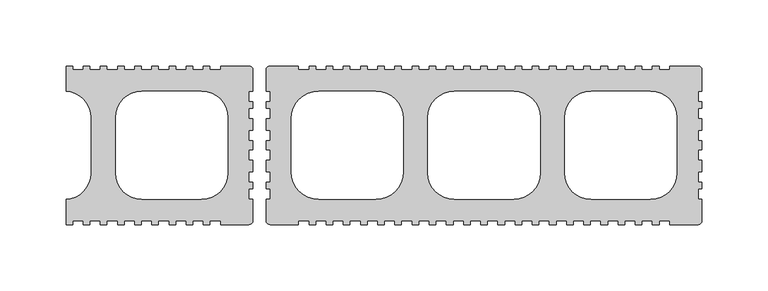
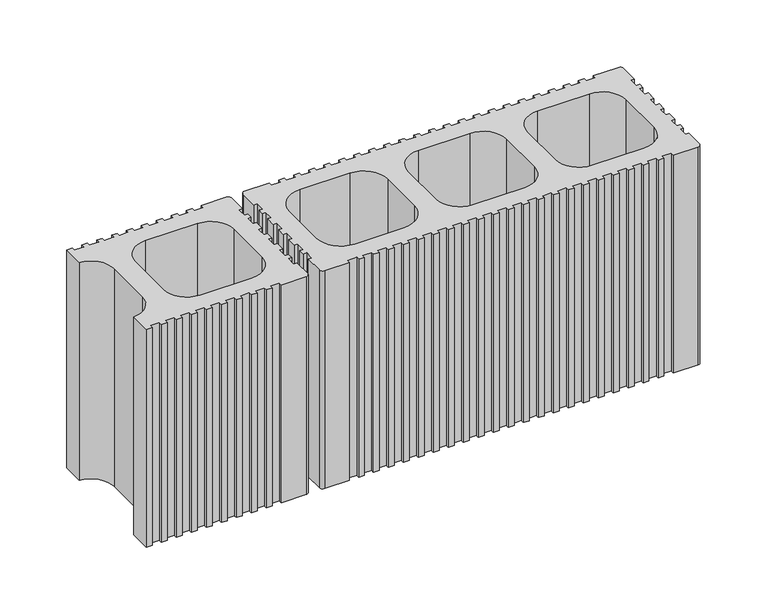
"""IFC4 building model written with IfcOpenShell, lengths in millimetres: plate geometry."""

from ifc_helpers import new_model, si_unit, point, frame_2d, origin, origin_with_axes, place, context, project, spatial, polyline, circle_curve, trimmed, segment, composite_curve, outline, extrude, source, transform, mapped, element, save


def plate_f5bd86d7(model_context):
    return source(origin(), model_context, "Body", "SweptSolid", [
        extrude(outline(composite_curve([segment(polyline([(-132.9999921, -59.9999786), (-132.9999921, -56.9999689), (-141.0000044, -56.9999689), (-141.0000044, -59.9999786), (-146.0000456, -59.9999786), (-146.0000456, -56.9999689), (-154.0000578, -56.9999689), (-154.0000578, -59.9999786), (-159.0000692, -59.9999786), (-159.0000692, -56.9999689), (-167.0001113, -56.9999689), (-167.0001113, -59.9999786), (-172.0001227, -59.9999786), (-172.0001227, -56.9999689), (-180.000135, -56.9999689), (-180.000135, -59.9999786), (-185.0001464, -59.9999786), (-185.0001464, -56.9999689), (-193.0001884, -56.9999689), (-193.0001884, -59.9999786), (-198.0001998, -59.9999786), (-198.0001998, -56.9999689), (-206.000227, -56.9999689), (-206.000227, -59.9999786), (-211.0002384, -59.9999786), (-211.0002384, -56.9999689), (-219.0002655, -56.9999689), (-219.0002655, -59.9999786), (-224.0002918, -59.9999786), (-224.0002918, -56.9999689), (-232.000319, -56.9999689), (-232.000319, -59.9999786), (-237.0003304, -59.9999786), (-237.0003304, -56.9999689), (-245.0003576, -56.9999689), (-245.0003576, -59.9999786), (-250.000369, -59.9999786), (-250.000369, -40.9749648)]), True, "CONTINUOUS"), segment(trimmed(circle_curve(frame_2d((-251.0003328, -20.9999138)), 20.0000648), [point((-250.000369, -40.9749648))], [point((-231.0002681, -20.9999138))], True, "CARTESIAN"), True, "CONTINUOUS"), segment(polyline([(-231.0002681, -20.9999138), (-231.0002681, 21.0003418)]), True, "CONTINUOUS"), segment(trimmed(circle_curve(frame_2d((-251.0003328, 21.0003418)), 20.0000648), [point((-231.0002681, 21.0003418))], [point((-250.000369, 40.9753929))], True, "CARTESIAN"), True, "CONTINUOUS"), segment(polyline([(-250.000369, 40.9753929), (-250.000369, 60.0004066), (-245.0003576, 60.0004066), (-245.0003576, 57.0003969), (-237.0003304, 57.0003969), (-237.0003304, 60.0004066), (-232.000319, 60.0004066), (-232.000319, 57.0003969), (-224.0002918, 57.0003969), (-224.0002918, 60.0004066), (-219.0002655, 60.0004066), (-219.0002655, 57.0003969), (-211.0002384, 57.0003969), (-211.0002384, 60.0004066), (-206.000227, 60.0004066), (-206.000227, 57.0003969), (-198.0001998, 57.0003969), (-198.0001998, 60.0004066), (-193.0001884, 60.0004066), (-193.0001884, 57.0003969), (-185.0001464, 57.0003969), (-185.0001464, 60.0004066), (-180.000135, 60.0004066), (-180.000135, 57.0003969), (-172.0001227, 57.0003969), (-172.0001227, 60.0004066), (-167.0001113, 60.0004066), (-167.0001113, 57.0003969), (-159.0000692, 57.0003969), (-159.0000692, 60.0004066), (-154.0000578, 60.0004066), (-154.0000578, 57.0003969), (-146.0000456, 57.0003969), (-146.0000456, 60.0004066), (-141.0000044, 60.0004066), (-141.0000044, 57.0003969), (-132.9999921, 57.0003969), (-132.9999921, 60.0004066), (-111.4999131, 60.0004066)]), True, "CONTINUOUS"), segment(trimmed(circle_curve(frame_2d((-111.4999131, 57.0004015)), 3.0000051), [point((-111.4999131, 60.0004066))], [point((-108.499908, 57.0004015))], False, "CARTESIAN"), True, "CONTINUOUS"), segment(polyline([(-108.499908, 57.0004015), (-108.499908, 41.0003514), (-111.4999177, 41.0003514), (-111.4999177, 33.0003242), (-108.499908, 33.0003242), (-108.499908, 28.0003054), (-111.4999177, 28.0003054), (-111.4999177, 20.0002782), (-108.499908, 20.0002782), (-108.499908, 11.5002559), (-111.4999177, 11.5002559), (-111.4999177, 3.5002287), (-108.499908, 3.5002287), (-108.499908, -3.4997969), (-111.4999177, -3.4997969), (-111.4999177, -11.4998204), (-108.499908, -11.4998204), (-108.499908, -19.9998502), (-111.4999177, -19.9998502), (-111.4999177, -27.9998736), (-108.499908, -27.9998736), (-108.499908, -32.9998906), (-111.4999177, -32.9998906), (-111.4999177, -40.9999178), (-108.4999079, -40.9999178), (-108.4999079, -56.9999689)]), True, "CONTINUOUS"), segment(trimmed(circle_curve(frame_2d((-111.4999177, -56.9999689)), 3.0000097), [point((-108.4999079, -56.9999689))], [point((-111.4999177, -59.9999786))], False, "CARTESIAN"), True, "CONTINUOUS"), segment(polyline([(-111.4999177, -59.9999786), (-132.9999921, -59.9999786)]), True, "CONTINUOUS")], self_intersect=False), holes=[composite_curve([segment(polyline([(-212.5002526, 21.0003418), (-212.5002526, -20.9999138)]), True, "CONTINUOUS"), segment(trimmed(circle_curve(frame_2d((-192.5001879, -20.9999138)), 20.0000648), [point((-212.5002526, -20.9999138))], [point((-192.5001879, -40.9999786))], True, "CARTESIAN"), True, "CONTINUOUS"), segment(polyline([(-192.5001879, -40.9999786), (-147.4999653, -40.9999786)]), True, "CONTINUOUS"), segment(trimmed(circle_curve(frame_2d((-147.4999653, -20.9999138)), 20.0000648), [point((-147.4999653, -40.9999786))], [point((-127.4999005, -20.9999138))], True, "CARTESIAN"), True, "CONTINUOUS"), segment(polyline([(-127.4999005, -20.9999138), (-127.4999005, 21.0003418)]), True, "CONTINUOUS"), segment(trimmed(circle_curve(frame_2d((-147.4999653, 21.0003418)), 20.0000648), [point((-127.4999005, 21.0003418))], [point((-147.4999653, 41.0004066))], True, "CARTESIAN"), True, "CONTINUOUS"), segment(polyline([(-147.4999653, 41.0004066), (-192.5001879, 41.0004066)]), True, "CONTINUOUS"), segment(trimmed(circle_curve(frame_2d((-192.5001879, 21.0003418)), 20.0000648), [point((-192.5001879, 41.0004066))], [point((-212.5002526, 21.0003418))], True, "CARTESIAN"), True, "CONTINUOUS")], self_intersect=False)]), origin_with_axes(), (0.0, 0.0, 1.0), 200.0),
        extrude(outline(composite_curve([segment(polyline([(-74.0000662, -60.0005091), (-95.5001351, -60.0005091)]), True, "CONTINUOUS"), segment(trimmed(circle_curve(frame_2d((-95.5001351, -57.0004994)), 3.0000097), [point((-95.5001351, -60.0005091))], [point((-98.5001448, -57.0004994))], False, "CARTESIAN"), True, "CONTINUOUS"), segment(polyline([(-98.5001448, -57.0004994), (-98.5001448, -41.0004483), (-95.5001351, -41.0004483), (-95.5001351, -33.0004211), (-98.5001448, -33.0004211), (-98.5001448, -28.0004041), (-95.5001351, -28.0004041), (-95.5001351, -20.0003807), (-98.5001448, -20.0003807), (-98.5001448, -11.5003509), (-95.5001351, -11.5003509), (-95.5001351, -3.5003274), (-98.5001448, -3.5003274), (-98.5001448, 3.4996982), (-95.5001351, 3.4996982), (-95.5001351, 11.4997254), (-98.5001448, 11.4997254), (-98.5001448, 19.9997477), (-95.5001351, 19.9997477), (-95.5001351, 27.9997749), (-98.5001448, 27.9997749), (-98.5001448, 32.9997937), (-95.5001351, 32.9997937), (-95.5001351, 40.9998209), (-98.5001448, 40.9998209), (-98.5001448, 56.999871)]), True, "CONTINUOUS"), segment(trimmed(circle_curve(frame_2d((-95.5001397, 56.999871)), 3.0000051), [point((-98.5001448, 56.999871))], [point((-95.5001397, 59.9998761))], False, "CARTESIAN"), True, "CONTINUOUS"), segment(polyline([(-95.5001397, 59.9998761), (-74.0000662, 59.9998761), (-74.0000662, 56.9998664), (-66.0000409, 56.9998664), (-66.0000409, 59.9998761), (-61.0000221, 59.9998761), (-61.0000221, 56.9998664), (-52.9999986, 56.9998664), (-52.9999986, 59.9998761), (-47.9999798, 59.9998761), (-47.9999798, 56.9998664), (-39.9999564, 56.9998664), (-39.9999564, 59.9998761), (-34.9999375, 59.9998761), (-34.9999375, 56.9998664), (-26.9999103, 56.9998664), (-26.9999103, 59.9998761), (-21.999899, 59.9998761), (-21.999899, 56.9998664), (-13.9998718, 56.9998664), (-13.9998718, 59.9998761), (-8.9998529, 59.9998761), (-8.9998529, 56.9998664), (-0.9998332, 56.9998664), (-0.9998332, 59.9998761), (4.0001856, 59.9998761), (4.0001856, 56.9998664), (12.0002128, 56.9998664), (12.0002128, 59.9998761), (17.0002316, 59.9998761), (17.0002316, 56.9998664), (25.0002514, 56.9998664), (25.0002514, 59.9998761), (30.0002702, 59.9998761), (30.0002702, 56.9998664), (38.0002974, 56.9998664), (38.0002974, 59.9998761), (43.0003088, 59.9998761), (43.0003088, 56.9998664), (51.0003359, 56.9998664), (51.0003359, 59.9998761), (56.0003473, 59.9998761), (56.0003473, 56.9998664), (64.0003745, 56.9998664), (64.0003745, 59.9998761), (69.0004008, 59.9998761), (69.0004008, 56.9998664), (77.000428, 56.9998664), (77.000428, 59.9998761), (82.0004394, 59.9998761), (82.0004394, 56.9998664), (90.0004665, 56.9998664), (90.0004665, 59.9998761), (95.0004779, 59.9998761), (95.0004779, 56.9998664), (103.0005051, 56.9998664), (103.0005051, 59.9998761), (108.0005165, 59.9998761), (108.0005165, 56.9998664), (116.0005437, 56.9998664), (116.0005437, 59.9998761), (121.0005699, 59.9998761), (121.0005699, 56.9998664), (129.0005971, 56.9998664), (129.0005971, 59.9998761), (134.0006085, 59.9998761), (134.0006085, 56.9998664), (142.0006357, 56.9998664), (142.0006357, 59.9998761), (147.0006471, 59.9998761), (147.0006471, 56.9998664), (155.0006891, 56.9998664), (155.0006891, 59.9998761), (160.0007005, 59.9998761), (160.0007005, 56.9998664), (168.0007128, 56.9998664), (168.0007128, 59.9998761), (173.0007242, 59.9998761), (173.0007242, 56.9998664), (181.0007663, 56.9998664), (181.0007663, 59.9998761), (186.0007777, 59.9998761), (186.0007777, 56.9998664), (194.0007899, 56.9998664), (194.0007899, 59.9998761), (199.0008311, 59.9998761), (199.0008311, 56.9998664), (207.0008434, 56.9998664), (207.0008434, 59.9998761), (228.5009224, 59.9998761)]), True, "CONTINUOUS"), segment(trimmed(circle_curve(frame_2d((228.5009224, 56.999871)), 3.0000051), [point((228.5009224, 59.9998761))], [point((231.5009275, 56.999871))], False, "CARTESIAN"), True, "CONTINUOUS"), segment(polyline([(231.5009275, 56.999871), (231.5009275, 40.9998209), (228.5009178, 40.9998209), (228.5009178, 32.9997937), (231.5009275, 32.9997937), (231.5009275, 27.9997749), (228.5009178, 27.9997749), (228.5009178, 19.9997477), (231.5009275, 19.9997477), (231.5009275, 11.4997254), (228.5009178, 11.4997254), (228.5009178, 3.4996982), (231.5009275, 3.4996982), (231.5009275, -3.5003274), (228.5009178, -3.5003274), (228.5009178, -11.5003509), (231.5009275, -11.5003509), (231.5009275, -20.0003807), (228.5009178, -20.0003807), (228.5009178, -28.0004041), (231.5009275, -28.0004041), (231.5009275, -33.0004211), (228.5009178, -33.0004211), (228.5009178, -41.0004482), (231.5009275, -41.0004482), (231.5009275, -57.0004994)]), True, "CONTINUOUS"), segment(trimmed(circle_curve(frame_2d((228.5009178, -57.0004994)), 3.0000097), [point((231.5009275, -57.0004994))], [point((228.5009178, -60.0005091))], False, "CARTESIAN"), True, "CONTINUOUS"), segment(polyline([(228.5009178, -60.0005091), (207.0008434, -60.0005091), (207.0008434, -57.0004994), (199.0008311, -57.0004994), (199.0008311, -60.0005091), (194.0007899, -60.0005091), (194.0007899, -57.0004994), (186.0007777, -57.0004994), (186.0007777, -60.0005091), (181.0007663, -60.0005091), (181.0007663, -57.0004994), (173.0007242, -57.0004994), (173.0007242, -60.0005091), (168.0007128, -60.0005091), (168.0007128, -57.0004994), (160.0007005, -57.0004994), (160.0007005, -60.0005091), (155.0006891, -60.0005091), (155.0006891, -57.0004994), (147.0006471, -57.0004994), (147.0006471, -60.0005091), (142.0006357, -60.0005091), (142.0006357, -57.0004994), (134.0006085, -57.0004994), (134.0006085, -60.0005091), (129.0005971, -60.0005091), (129.0005971, -57.0004994), (121.0005699, -57.0004994), (121.0005699, -60.0005091), (116.0005437, -60.0005091), (116.0005437, -57.0004994), (108.0005165, -57.0004994), (108.0005165, -60.0005091), (103.0005051, -60.0005091), (103.0005051, -57.0004994), (95.0004779, -57.0004994), (95.0004779, -60.0005091), (90.0004665, -60.0005091), (90.0004665, -57.0004994), (82.0004394, -57.0004994), (82.0004394, -60.0005091), (77.000428, -60.0005091), (77.000428, -57.0004994), (69.0004008, -57.0004994), (69.0004008, -60.0005091), (64.0003745, -60.0005091), (64.0003745, -57.0004994), (56.0003473, -57.0004994), (56.0003473, -60.0005091), (51.0003359, -60.0005091), (51.0003359, -57.0004994), (43.0003088, -57.0004994), (43.0003088, -60.0005091), (38.0002974, -60.0005091), (38.0002974, -57.0004994), (30.0002702, -57.0004994), (30.0002702, -60.0005091), (25.0002514, -60.0005091), (25.0002514, -57.0004994), (17.0002316, -57.0004994), (17.0002316, -60.0005091), (12.0002128, -60.0005091), (12.0002128, -57.0004994), (4.0001856, -57.0004994), (4.0001856, -60.0005091), (-0.9998332, -60.0005091), (-0.9998332, -57.0004994), (-8.9998529, -57.0004994), (-8.9998529, -60.0005091), (-13.9998718, -60.0005091), (-13.9998718, -57.0004994), (-21.999899, -57.0004994), (-21.999899, -60.0005091), (-26.9999103, -60.0005091), (-26.9999103, -57.0004994), (-34.9999375, -57.0004994), (-34.9999375, -60.0005091), (-39.9999564, -60.0005091), (-39.9999564, -57.0004994), (-47.9999798, -57.0004994), (-47.9999798, -60.0005091), (-52.9999986, -60.0005091), (-52.9999986, -57.0004994), (-61.0000221, -57.0004994), (-61.0000221, -60.0005091), (-66.0000409, -60.0005091), (-66.0000409, -57.0004994), (-74.0000662, -57.0004994), (-74.0000662, -60.0005091)]), True, "CONTINUOUS")], self_intersect=False), holes=[composite_curve([segment(trimmed(circle_curve(frame_2d((-58.5001448, -20.0005091)), 21.0), [point((-79.5001448, -20.0005091))], [point((-58.5001448, -41.0005091))], True, "CARTESIAN"), True, "CONTINUOUS"), segment(polyline([(-58.5001448, -41.0005091), (-15.4997927, -41.0005091)]), True, "CONTINUOUS"), segment(trimmed(circle_curve(frame_2d((-15.4997927, -20.0005091)), 21.0), [point((-15.4997927, -41.0005091))], [point((5.5002073, -20.0005091))], True, "CARTESIAN"), True, "CONTINUOUS"), segment(polyline([(5.5002073, -20.0005091), (5.5002073, 19.9998761)]), True, "CONTINUOUS"), segment(trimmed(circle_curve(frame_2d((-15.4997927, 19.9998761)), 21.0), [point((5.5002073, 19.9998761))], [point((-15.4997927, 40.9998761))], True, "CARTESIAN"), True, "CONTINUOUS"), segment(polyline([(-15.4997927, 40.9998761), (-58.5001448, 40.9998761)]), True, "CONTINUOUS"), segment(trimmed(circle_curve(frame_2d((-58.5001448, 19.9998761)), 21.0), [point((-58.5001448, 40.9998761))], [point((-79.5001448, 19.9998761))], True, "CARTESIAN"), True, "CONTINUOUS"), segment(polyline([(-79.5001448, 19.9998761), (-79.5001448, -20.0005091)]), True, "CONTINUOUS")], self_intersect=False), composite_curve([segment(trimmed(circle_curve(frame_2d((44.0002801, -21.0004443)), 20.0000648), [point((24.0002153, -21.0004443))], [point((44.0002801, -41.0005091))], True, "CARTESIAN"), True, "CONTINUOUS"), segment(polyline([(44.0002801, -41.0005091), (89.0005027, -41.0005091)]), True, "CONTINUOUS"), segment(trimmed(circle_curve(frame_2d((89.0005027, -21.0004443)), 20.0000648), [point((89.0005027, -41.0005091))], [point((109.0005674, -21.0004443))], True, "CARTESIAN"), True, "CONTINUOUS"), segment(polyline([(109.0005674, -21.0004443), (109.0005674, 20.9998113)]), True, "CONTINUOUS"), segment(trimmed(circle_curve(frame_2d((89.0005027, 20.9998113)), 20.0000648), [point((109.0005674, 20.9998113))], [point((89.0005027, 40.9998761))], True, "CARTESIAN"), True, "CONTINUOUS"), segment(polyline([(89.0005027, 40.9998761), (44.0002801, 40.9998761)]), True, "CONTINUOUS"), segment(trimmed(circle_curve(frame_2d((44.0002801, 20.9998113)), 20.0000648), [point((44.0002801, 40.9998761))], [point((24.0002153, 20.9998113))], True, "CARTESIAN"), True, "CONTINUOUS"), segment(polyline([(24.0002153, 20.9998113), (24.0002153, -21.0004443)]), True, "CONTINUOUS")], self_intersect=False), composite_curve([segment(polyline([(127.5005829, 20.9998113), (127.5005829, -21.0004443)]), True, "CONTINUOUS"), segment(trimmed(circle_curve(frame_2d((147.5006476, -21.0004443)), 20.0000648), [point((127.5005829, -21.0004443))], [point((147.5006476, -41.0005091))], True, "CARTESIAN"), True, "CONTINUOUS"), segment(polyline([(147.5006476, -41.0005091), (192.5008702, -41.0005091)]), True, "CONTINUOUS"), segment(trimmed(circle_curve(frame_2d((192.5008702, -21.0004443)), 20.0000648), [point((192.5008702, -41.0005091))], [point((212.500935, -21.0004443))], True, "CARTESIAN"), True, "CONTINUOUS"), segment(polyline([(212.500935, -21.0004443), (212.500935, 20.9998113)]), True, "CONTINUOUS"), segment(trimmed(circle_curve(frame_2d((192.5008702, 20.9998113)), 20.0000648), [point((212.500935, 20.9998113))], [point((192.5008702, 40.9998761))], True, "CARTESIAN"), True, "CONTINUOUS"), segment(polyline([(192.5008702, 40.9998761), (147.5006476, 40.9998761)]), True, "CONTINUOUS"), segment(trimmed(circle_curve(frame_2d((147.5006476, 20.9998113)), 20.0000648), [point((147.5006476, 40.9998761))], [point((127.5005829, 20.9998113))], True, "CARTESIAN"), True, "CONTINUOUS")], self_intersect=False)]), origin_with_axes(), (0.0, 0.0, 1.0), 200.0),
    ])


if __name__ == "__main__":
    model = new_model("IFC4")
    model_context = context("Model", 3, world=origin())
    ifc_project = project(units=[si_unit("LENGTHUNIT", "METRE", prefix="MILLI")], contexts=[model_context])
    site = spatial("IfcSite", under=ifc_project)
    building = spatial("IfcBuilding", under=site)
    placement = place(None, origin())
    plate_shape = plate_f5bd86d7(model_context)
    element("IfcPlate", 1, at=placement, inside=building, context=model_context, shape_type="MappedRepresentation", body=[
        mapped(plate_shape, transform((0.0, 0.0, 0.0), x_axis=(1.0, 0.0, 0.0), y_axis=(0.0, 1.0, 0.0), z_axis=(0.0, 0.0, 1.0))),
    ])
    save(model, "model.ifc")
